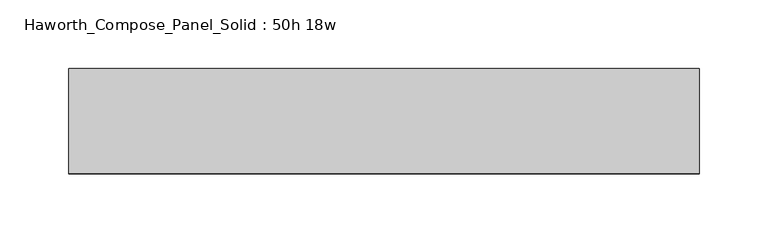
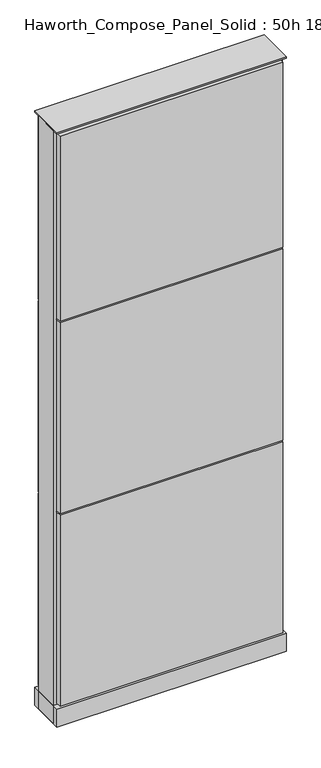
"""IFC4 building model written with IfcOpenShell, lengths in millimetres: furniture geometry, Haworth_Compose_Panel_Solid : 50h 18w."""

from ifc_helpers import new_model, si_unit, point, frame, frame_2d, origin, origin_with_axes, place, context, project, spatial, polyline, circle_curve, trimmed, segment, composite_curve, outline, extrude, source, transform, mapped, element, save


def haworth_compose_panel_solid_50h_18w_98d2a132(model_context):
    return source(origin(), model_context, "Body", "SweptSolid", [
        extrude(outline(composite_curve([segment(trimmed(circle_curve(frame_2d((-149.9597098, 0.0)), 12.7), [point((-162.6597098, 0.0))], [point((-137.2597098, 0.0))], False, "CARTESIAN"), True, "CONTINUOUS"), segment(trimmed(circle_curve(frame_2d((-149.9597098, 0.0)), 12.7), [point((-137.2597098, 0.0))], [point((-162.6597098, 0.0))], False, "CARTESIAN"), True, "CONTINUOUS")], self_intersect=False)), origin_with_axes(), (0.0, 0.0, 1.0), 12.7),
        extrude(outline(composite_curve([segment(trimmed(circle_curve(frame_2d((154.8402902, 0.0)), 12.7), [point((142.1402902, 0.0))], [point((167.5402902, 0.0))], False, "CARTESIAN"), True, "CONTINUOUS"), segment(trimmed(circle_curve(frame_2d((154.8402902, 0.0)), 12.7), [point((167.5402902, 0.0))], [point((142.1402902, 0.0))], False, "CARTESIAN"), True, "CONTINUOUS")], self_intersect=False)), origin_with_axes(), (0.0, 0.0, 1.0), 12.7),
        extrude(outline(polyline([(224.6902902, 38.1), (224.6902902, 25.4), (-219.8097098, 25.4), (-219.8097098, 38.1), (224.6902902, 38.1)])), frame((0.0, 0.0, 866.775), z_axis=(0.0, 0.0, 1.0), x_axis=(1.0, 0.0, 0.0)), (0.0, 0.0, 1.0), 390.525),
        extrude(outline(polyline([(224.6902902, 38.1), (224.6902902, 25.4), (-219.8097098, 25.4), (-219.8097098, 38.1), (224.6902902, 38.1)])), frame((0.0, 0.0, 460.375), z_axis=(0.0, 0.0, 1.0), x_axis=(1.0, 0.0, 0.0)), (0.0, 0.0, 1.0), 403.225),
        extrude(outline(polyline([(224.6902902, 38.1), (224.6902902, 25.4), (-219.8097098, 25.4), (-219.8097098, 38.1), (224.6902902, 38.1)])), frame((0.0, 0.0, 53.975), z_axis=(0.0, 0.0, 1.0), x_axis=(1.0, 0.0, 0.0)), (0.0, 0.0, 1.0), 403.225),
        extrude(outline(polyline([(224.6902902, -38.1), (-219.8097098, -38.1), (-219.8097098, -25.4), (224.6902902, -25.4), (224.6902902, -38.1)])), frame((0.0, 0.0, 866.775), z_axis=(0.0, 0.0, 1.0), x_axis=(1.0, 0.0, 0.0)), (0.0, 0.0, 1.0), 390.525),
        extrude(outline(polyline([(224.6902902, -38.1), (-219.8097098, -38.1), (-219.8097098, -25.4), (224.6902902, -25.4), (224.6902902, -38.1)])), frame((0.0, 0.0, 460.375), z_axis=(0.0, 0.0, 1.0), x_axis=(1.0, 0.0, 0.0)), (0.0, 0.0, 1.0), 403.225),
        extrude(outline(polyline([(224.6902902, -38.1), (-219.8097098, -38.1), (-219.8097098, -25.4), (224.6902902, -25.4), (224.6902902, -38.1)])), frame((0.0, 0.0, 53.975), z_axis=(0.0, 0.0, 1.0), x_axis=(1.0, 0.0, 0.0)), (0.0, 0.0, 1.0), 403.225),
        extrude(outline(polyline([(231.0402902, 25.4), (231.0402902, -25.4), (-226.1597098, -25.4), (-226.1597098, 25.4), (231.0402902, 25.4)])), frame((0.0, 0.0, 12.7), z_axis=(0.0, 0.0, 1.0), x_axis=(1.0, 0.0, 0.0)), (0.0, 0.0, 1.0), 1250.95),
        extrude(outline(polyline([(-226.1597098, -38.1), (-226.1597098, 38.1), (231.0402902, 38.1), (231.0402902, -38.1), (-226.1597098, -38.1)])), frame((0.0, 0.0, 12.7), z_axis=(0.0, 0.0, 1.0), x_axis=(1.0, 0.0, 0.0)), (0.0, 0.0, 1.0), 38.1),
        extrude(outline(polyline([(-226.1597098, -38.1), (-226.1597098, 38.1), (231.0402902, 38.1), (231.0402902, -38.1), (-226.1597098, -38.1)])), frame((0.0, 0.0, 1263.65), z_axis=(0.0, 0.0, 1.0), x_axis=(1.0, 0.0, 0.0)), (0.0, 0.0, 1.0), 3.175),
    ])


if __name__ == "__main__":
    model = new_model("IFC4")
    model_context = context("Model", 3, world=origin())
    ifc_project = project(units=[si_unit("LENGTHUNIT", "METRE", prefix="MILLI")], contexts=[model_context])
    site = spatial("IfcSite", under=ifc_project)
    building = spatial("IfcBuilding", under=site)
    placement = place(None, origin())
    haworth_compose_panel_solid_50h_18w_shape = haworth_compose_panel_solid_50h_18w_98d2a132(model_context)
    element("IfcFurniture", 1, ObjectType="Haworth_Compose_Panel_Solid : 50h 18w", at=placement, inside=building, context=model_context, shape_type="MappedRepresentation", body=[
        mapped(haworth_compose_panel_solid_50h_18w_shape, transform((0.0, 0.0, 0.0), x_axis=(1.0, 0.0, 0.0), y_axis=(0.0, 1.0, 0.0), z_axis=(0.0, 0.0, 1.0))),
    ])
    save(model, "model.ifc")
